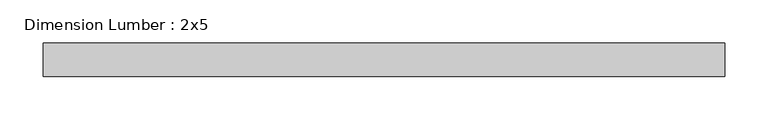
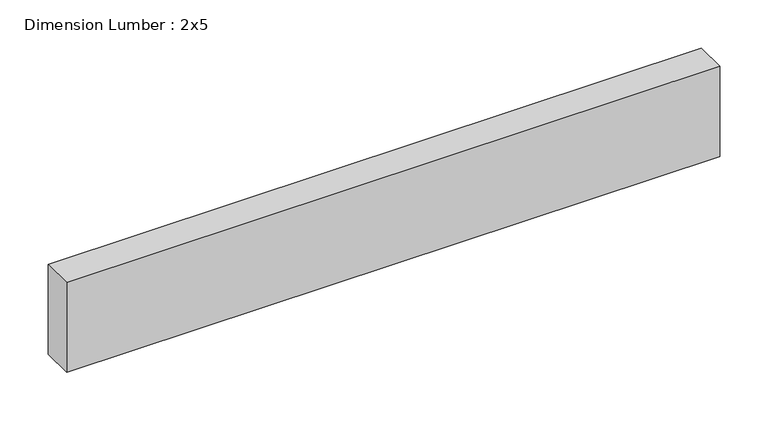
"""IFC4 building model written with IfcOpenShell, lengths in millimetres: beam geometry, Dimension Lumber : 2x5."""

from ifc_helpers import new_model, si_unit, frame, origin, place, context, project, spatial, polyline, outline, extrude, source, transform, mapped, element, save


def dimension_lumber_2x5_64feb16d(model_context):
    return source(origin(), model_context, "Body", "SweptSolid", [
        extrude(outline(polyline([(391.6288854, 19.05), (391.6288854, -19.05), (-391.6288854, -19.05), (-391.6288854, 19.05), (391.6288854, 19.05)])), frame((0.0, 0.0, -57.15), z_axis=(0.0, 0.0, 1.0), x_axis=(1.0, 0.0, 0.0)), (0.0, 0.0, 1.0), 114.3),
    ])


if __name__ == "__main__":
    model = new_model("IFC4")
    model_context = context("Model", 3, world=origin())
    ifc_project = project(units=[si_unit("LENGTHUNIT", "METRE", prefix="MILLI")], contexts=[model_context])
    site = spatial("IfcSite", under=ifc_project)
    building = spatial("IfcBuilding", under=site)
    placement = place(None, origin())
    dimension_lumber_2x5_shape = dimension_lumber_2x5_64feb16d(model_context)
    element("IfcBeam", 1, ObjectType="Dimension Lumber : 2x5", at=placement, inside=building, context=model_context, shape_type="MappedRepresentation", body=[
        mapped(dimension_lumber_2x5_shape, transform((0.0, 0.0, 0.0), x_axis=(1.0, 0.0, 0.0), y_axis=(0.0, 1.0, 0.0), z_axis=(0.0, 0.0, 1.0))),
    ])
    save(model, "model.ifc")
